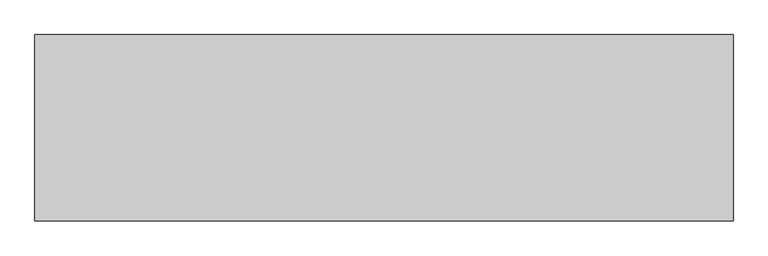
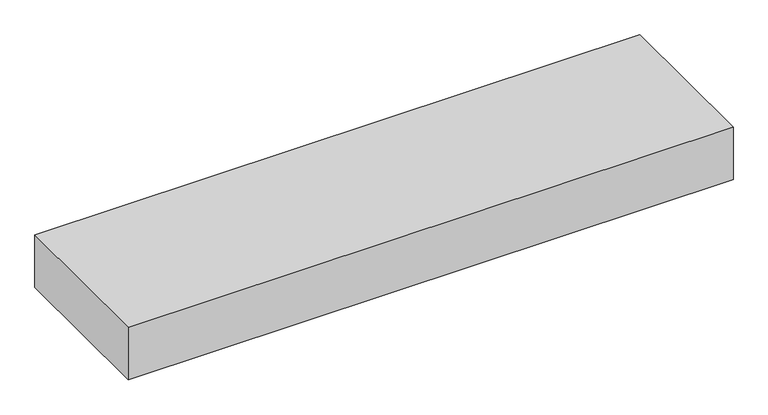
"""IFC4 building model written with IfcOpenShell, lengths in millimetres: proxy geometry."""

from ifc_helpers import new_model, si_unit, origin, origin_with_axes, place, context, project, spatial, polyline, outline, extrude, source, transform, mapped, element, save


def generic_models_2b514e93(model_context):
    return source(origin(), model_context, "Body", "SweptSolid", [
        extrude(outline(polyline([(762.0, 406.4), (762.0, 0.0), (-762.0, 0.0), (-762.0, 406.4), (762.0, 406.4)])), origin_with_axes(), (0.0, 0.0, 1.0), 139.7),
    ])


if __name__ == "__main__":
    model = new_model("IFC4")
    model_context = context("Model", 3, world=origin())
    ifc_project = project(units=[si_unit("LENGTHUNIT", "METRE", prefix="MILLI")], contexts=[model_context])
    site = spatial("IfcSite", under=ifc_project)
    building = spatial("IfcBuilding", under=site)
    placement = place(None, origin())
    generic_models_shape = generic_models_2b514e93(model_context)
    element("IfcBuildingElementProxy", 1, Name="Generic Models", at=placement, inside=building, context=model_context, shape_type="MappedRepresentation", body=[
        mapped(generic_models_shape, transform((0.0, 0.0, 0.0), x_axis=(1.0, 0.0, 0.0), y_axis=(0.0, 1.0, 0.0), z_axis=(0.0, 0.0, 1.0))),
    ])
    save(model, "model.ifc")
